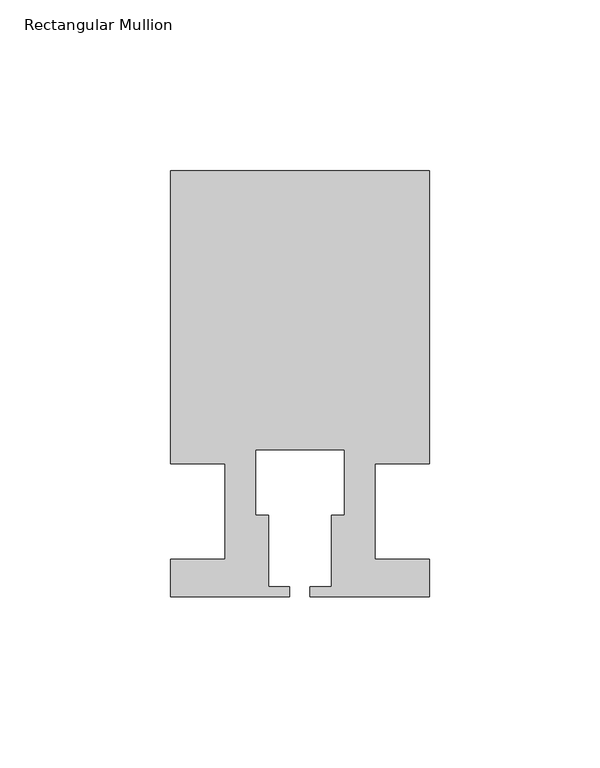
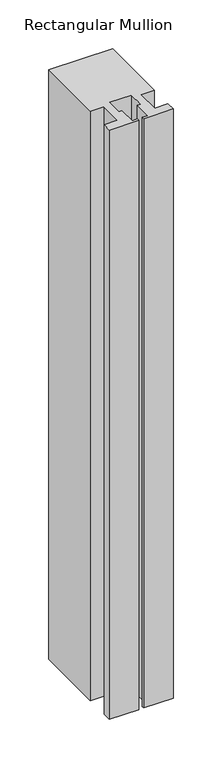
"""IFC4 building model written with IfcOpenShell, lengths in millimetres: member geometry, Rectangular Mullion."""

from ifc_helpers import new_model, si_unit, frame, origin, place, context, project, spatial, polyline, outline, extrude, source, transform, mapped, element, save


def rectangular_mullion_1d842a77(model_context):
    return source(origin(), model_context, "Body", "SweptSolid", [
        extrude(outline(polyline([(37.9999914, 99.9960123), (37.9999914, 13.9960123), (21.9999651, 13.9960123), (21.9999651, -14.0039877), (37.9999896, -14.0039877), (37.9999896, -25.0039877), (2.9999651, -25.0039877), (2.9999651, -22.0039877), (9.1999651, -22.0039877), (9.1999651, -1.0039877), (12.9999651, -1.0039877), (12.9999651, 18.1960075), (-12.9999633, 18.1960075), (-12.9999633, -1.0039877), (-9.1999633, -1.0039877), (-9.1999633, -22.0039877), (-2.9999896, -22.0039877), (-2.9999896, -25.0039877), (-37.9999896, -25.0039877), (-37.9999896, -14.0039877), (-21.9999633, -14.0039877), (-21.9999633, 13.9960123), (-37.9999896, 13.9960123), (-37.9999896, 99.9960123), (37.9999914, 99.9960123)])), frame((0.0, 0.0, -740.0), z_axis=(0.0, 0.0, 1.0), x_axis=(1.0, 0.0, 0.0)), (0.0, 0.0, 1.0), 740.0),
    ])


if __name__ == "__main__":
    model = new_model("IFC4")
    model_context = context("Model", 3, world=origin())
    ifc_project = project(units=[si_unit("LENGTHUNIT", "METRE", prefix="MILLI")], contexts=[model_context])
    site = spatial("IfcSite", under=ifc_project)
    building = spatial("IfcBuilding", under=site)
    placement = place(None, origin())
    rectangular_mullion_shape = rectangular_mullion_1d842a77(model_context)
    element("IfcMember", 1, ObjectType="Rectangular Mullion", at=placement, inside=building, context=model_context, shape_type="MappedRepresentation", body=[
        mapped(rectangular_mullion_shape, transform((0.0, 0.0, 0.0), x_axis=(1.0, 0.0, 0.0), y_axis=(0.0, 1.0, 0.0), z_axis=(0.0, 0.0, 1.0))),
    ])
    save(model, "model.ifc")
